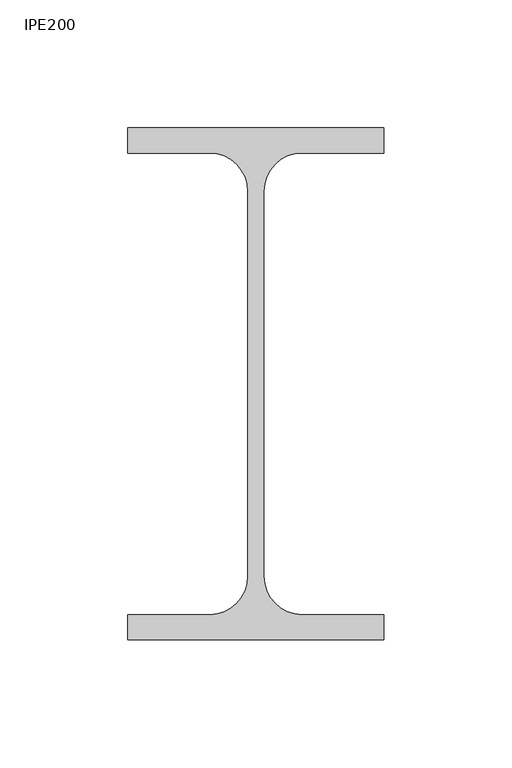
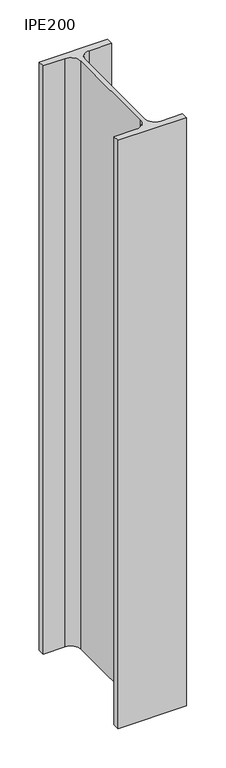
"""IFC4 building model written with IfcOpenShell, lengths in millimetres: column geometry, IPE200."""

import ifcopenshell
import ifcopenshell.guid

model = None  # the IFC model being written
_history = None  # IfcOwnerHistory: only IFC2X3 demands one
_inside = {}  # id of a spatial element -> (the spatial element, [elements in it])
_under = {}  # id of a project, library or spatial element -> (it, [spatial elements below it])
_declared = {}  # id of a project -> (the project, [libraries it declares])
_typed = {}  # id of a type object -> (the type object, [elements of that type])
_made_of = {}  # id of a material, layer set ... -> (it, [elements and type objects made of it])


def new_model(schema):
    """Start an empty IFC model of exactly this schema.

    Asked for "IFC4X3", IfcOpenShell would pick the latest addendum, in which some entities
    have other attributes; the version numbers below select the first issue.
    IFC2X3 requires an IfcOwnerHistory on every rooted entity: one is made here for all.
    """
    global model, _history
    if schema == "IFC4X3":
        model = ifcopenshell.file(schema_version=(4, 3, 0, 0))
    else:
        model = ifcopenshell.file(schema=schema)
    _inside.clear()
    _under.clear()
    _declared.clear()
    _typed.clear()
    _made_of.clear()
    _history = None
    if model.schema == "IFC2X3":
        org = make("IfcOrganization", Name="unknown")
        user = make(
            "IfcPersonAndOrganization",
            ThePerson=make("IfcPerson", FamilyName="unknown"),
            TheOrganization=org,
        )
        app = make(
            "IfcApplication",
            ApplicationDeveloper=org,
            Version="unknown",
            ApplicationFullName="unknown",
            ApplicationIdentifier="unknown",
        )
        _history = make(
            "IfcOwnerHistory",
            OwningUser=user,
            OwningApplication=app,
            ChangeAction="ADDED",
            CreationDate=0,
        )
    return model


def make(cls, **values):
    """One entity of the class cls with the attributes given. An attribute that is None is left unset."""
    return model.create_entity(
        cls, **{name: value for name, value in values.items() if value is not None}
    )


def rooted(cls, **values):
    """An entity with a GlobalId (a new one), such as an element, a storey or a relation."""
    return make(cls, GlobalId=ifcopenshell.guid.new(), OwnerHistory=_history, **values)


def si_unit(unit_type, name, prefix=None):
    """IfcSIUnit, for example si_unit("LENGTHUNIT", "METRE", prefix="MILLI")."""
    return make("IfcSIUnit", UnitType=unit_type, Prefix=prefix, Name=name)


def assignment(units):
    """IfcUnitAssignment: the units of a project."""
    return None if units is None else make("IfcUnitAssignment", Units=units)


def point(xyz):
    """IfcCartesianPoint."""
    return None if xyz is None else make("IfcCartesianPoint", Coordinates=xyz)


def direction(xyz):
    """IfcDirection."""
    return None if xyz is None else make("IfcDirection", DirectionRatios=xyz)


def frame(location, z_axis=None, x_axis=None):
    """IfcAxis2Placement3D, a coordinate frame: its origin and axes. An axis left out is left unset."""
    return make(
        "IfcAxis2Placement3D",
        Location=point(location),
        Axis=direction(z_axis),
        RefDirection=direction(x_axis),
    )


def frame_2d(location, x_axis=None):
    """IfcAxis2Placement2D, a coordinate frame in the plane: its origin and x axis."""
    return make(
        "IfcAxis2Placement2D", Location=point(location), RefDirection=direction(x_axis)
    )


def origin():
    """The frame at (0, 0, 0) with its axes left unset."""
    return frame((0.0, 0.0, 0.0))


def place(relative_to, where):
    """IfcLocalPlacement: puts the frame where relative to a parent placement (None: the world)."""
    return make(
        "IfcLocalPlacement", PlacementRelTo=relative_to, RelativePlacement=where
    )


def context(
    kind, dimensions, precision=None, world=None, true_north=None, identifier=None
):
    """IfcGeometricRepresentationContext, for example the 3D "Model" context."""
    return make(
        "IfcGeometricRepresentationContext",
        ContextIdentifier=identifier,
        ContextType=kind,
        CoordinateSpaceDimension=dimensions,
        Precision=precision,
        WorldCoordinateSystem=world,
        TrueNorth=true_north,
    )


def project(units=None, contexts=None):
    """IfcProject with its units and contexts."""
    return rooted(
        "IfcProject",
        Name="project",
        RepresentationContexts=contexts,
        UnitsInContext=assignment(units),
    )


def spatial(cls, under=None, at=None, **own):
    """A site, building, storey or space (cls), placed at a placement, below another one or the project."""
    s = rooted(cls, ObjectPlacement=at, **own)
    if under is not None:
        _under.setdefault(under.id(), (under, []))[1].append(s)
    return s


def polyline(points):
    """IfcPolyline through the points."""
    return make("IfcPolyline", Points=[point(p) for p in points])


def circle_curve(where, radius):
    """IfcCircle in the frame where."""
    return make("IfcCircle", Position=where, Radius=radius)


def trimmed(basis, trim1, trim2, sense, master):
    """IfcTrimmedCurve: the piece of a basis curve between two trims."""
    return make(
        "IfcTrimmedCurve",
        BasisCurve=basis,
        Trim1=trim1,
        Trim2=trim2,
        SenseAgreement=sense,
        MasterRepresentation=master,
    )


def segment(curve, same_sense, transition):
    """IfcCompositeCurveSegment."""
    return make(
        "IfcCompositeCurveSegment",
        Transition=transition,
        SameSense=same_sense,
        ParentCurve=curve,
    )


def composite_curve(segments, self_intersect=None):
    """IfcCompositeCurve: segments joined end to end."""
    return make("IfcCompositeCurve", Segments=segments, SelfIntersect=self_intersect)


def outline(outer, holes=None, kind="AREA"):
    """IfcArbitraryClosedProfileDef: a profile drawn as a closed curve; with holes, ...WithVoids."""
    if holes is None:
        return make("IfcArbitraryClosedProfileDef", ProfileType=kind, OuterCurve=outer)
    return make(
        "IfcArbitraryProfileDefWithVoids",
        ProfileType=kind,
        OuterCurve=outer,
        InnerCurves=holes,
    )


def extrude(swept, where, along, depth):
    """IfcExtrudedAreaSolid: the profile swept, set in the frame where, extruded along a direction by depth."""
    return make(
        "IfcExtrudedAreaSolid",
        SweptArea=swept,
        Position=where,
        ExtrudedDirection=direction(along),
        Depth=depth,
    )


def shape(context_of_items, identifier, shape_type, items):
    """IfcShapeRepresentation: the items that make up one representation, for example the "Body"."""
    return make(
        "IfcShapeRepresentation",
        ContextOfItems=context_of_items,
        RepresentationIdentifier=identifier,
        RepresentationType=shape_type,
        Items=items,
    )


def source(mapping_origin, context_of_items, identifier, shape_type, items):
    """IfcRepresentationMap: a shape defined once, which mapped items show again and again."""
    return make(
        "IfcRepresentationMap",
        MappingOrigin=mapping_origin,
        MappedRepresentation=shape(context_of_items, identifier, shape_type, items),
    )


def transform(
    local_origin,
    x_axis=None,
    y_axis=None,
    z_axis=None,
    scale=None,
    scale2=None,
    scale3=None,
    uniform=True,
):
    """IfcCartesianTransformationOperator3D, or its non-uniform kind. x_axis, y_axis, z_axis: its Axis1, 2, 3."""
    if uniform:
        return make(
            "IfcCartesianTransformationOperator3D",
            Axis1=direction(x_axis),
            Axis2=direction(y_axis),
            LocalOrigin=point(local_origin),
            Scale=scale,
            Axis3=direction(z_axis),
        )
    return make(
        "IfcCartesianTransformationOperator3DnonUniform",
        Axis1=direction(x_axis),
        Axis2=direction(y_axis),
        LocalOrigin=point(local_origin),
        Scale=scale,
        Axis3=direction(z_axis),
        Scale2=scale2,
        Scale3=scale3,
    )


def mapped(mapping_source, mapping_target):
    """IfcMappedItem: shows the shape of a source again, moved by a transform."""
    return make(
        "IfcMappedItem", MappingSource=mapping_source, MappingTarget=mapping_target
    )


def made_of(thing, what):
    """Note that an element or type object is made of a material, layer set ...; save() writes the relation."""
    if what is not None:
        _made_of.setdefault(what.id(), (what, []))[1].append(thing)
    return thing


def element(
    cls,
    number,
    at=None,
    inside=None,
    cuts=None,
    type_object=None,
    material=None,
    context=None,
    identifier="Body",
    shape_type=None,
    held_by="IfcProductDefinitionShape",
    body=None,
    shapes=None,
    **own,
):
    """One element of the class cls, such as IfcWall. Its Tag is "e" and its number.

    at: its placement. inside: the storey or other place that contains it. cuts: it is an
    opening in that element (IfcRelVoidsElement). A single representation is given by context,
    identifier, shape_type and body (its items); several are given by shapes. held_by: the class
    of the entity that holds the representations. save() writes the other relations.
    """
    e = rooted(cls, Tag="e%d" % number, ObjectPlacement=at, **own)
    if body is not None:
        shapes = [shape(context, identifier, shape_type, body)]
    if shapes is not None:
        e.Representation = make(held_by, Representations=shapes)
    if inside is not None:
        _inside.setdefault(inside.id(), (inside, []))[1].append(e)
    if cuts is not None:
        rooted(
            "IfcRelVoidsElement", RelatingBuildingElement=cuts, RelatedOpeningElement=e
        )
    if type_object is not None:
        _typed.setdefault(type_object.id(), (type_object, []))[1].append(e)
    return made_of(e, material)


def aggregate(whole, parts):
    """IfcRelAggregates: a whole, such as a stair, and the parts it consists of."""
    return rooted("IfcRelAggregates", RelatingObject=whole, RelatedObjects=parts)


def save(model, path):
    """Write the relations noted so far, then the file.

    IfcRelAggregates (storeys below a building ...), IfcRelContainedInSpatialStructure (elements
    in a storey), IfcRelDefinesByType, IfcRelAssociatesMaterial and IfcRelDeclares: one each for
    every whole, place, type object, material and project.
    """
    for whole, parts in _under.values():
        aggregate(whole, parts)
    for where, things in _inside.values():
        rooted(
            "IfcRelContainedInSpatialStructure",
            RelatedElements=things,
            RelatingStructure=where,
        )
    for kind, things in _typed.values():
        rooted("IfcRelDefinesByType", RelatedObjects=things, RelatingType=kind)
    for what, things in _made_of.values():
        rooted("IfcRelAssociatesMaterial", RelatedObjects=things, RelatingMaterial=what)
    for by, libraries in _declared.values():
        rooted("IfcRelDeclares", RelatingContext=by, RelatedDefinitions=libraries)
    model.write(path)


def ipe200_7fc6a6c8(model_context):
    return source(origin(), model_context, "Body", "SweptSolid", [
        extrude(outline(composite_curve([segment(polyline([(50.0, 100.0), (50.0, 90.2), (18.1, 90.2)]), True, "CONTINUOUS"), segment(trimmed(circle_curve(frame_2d((18.1, 75.2)), 15.0), [point((18.1, 90.2))], [point((3.1, 75.2))], True, "CARTESIAN"), True, "CONTINUOUS"), segment(polyline([(3.1, 75.2), (3.1, -75.2)]), True, "CONTINUOUS"), segment(trimmed(circle_curve(frame_2d((18.1, -75.2)), 15.0), [point((3.1, -75.2))], [point((18.1, -90.2))], True, "CARTESIAN"), True, "CONTINUOUS"), segment(polyline([(18.1, -90.2), (50.0, -90.2), (50.0, -100.0), (-50.0, -100.0), (-50.0, -90.2), (-18.1, -90.2)]), True, "CONTINUOUS"), segment(trimmed(circle_curve(frame_2d((-18.1, -75.2)), 15.0), [point((-18.1, -90.2))], [point((-3.1, -75.2))], True, "CARTESIAN"), True, "CONTINUOUS"), segment(polyline([(-3.1, -75.2), (-3.1, 75.2)]), True, "CONTINUOUS"), segment(trimmed(circle_curve(frame_2d((-18.1, 75.2)), 15.0), [point((-3.1, 75.2))], [point((-18.1, 90.2))], True, "CARTESIAN"), True, "CONTINUOUS"), segment(polyline([(-18.1, 90.2), (-50.0, 90.2), (-50.0, 100.0), (50.0, 100.0)]), True, "CONTINUOUS")], self_intersect=False)), frame((0.0, 0.0, 9380.0), z_axis=(0.0, 0.0, 1.0), x_axis=(1.0, 0.0, 0.0)), (0.0, 0.0, 1.0), 910.0),
    ])


if __name__ == "__main__":
    model = new_model("IFC4")
    model_context = context("Model", 3, world=origin())
    ifc_project = project(units=[si_unit("LENGTHUNIT", "METRE", prefix="MILLI")], contexts=[model_context])
    site = spatial("IfcSite", under=ifc_project)
    building = spatial("IfcBuilding", under=site)
    placement = place(None, origin())
    ipe200_shape = ipe200_7fc6a6c8(model_context)
    element("IfcColumn", 1, ObjectType="IPE200", at=placement, inside=building, context=model_context, shape_type="MappedRepresentation", body=[
        mapped(ipe200_shape, transform((0.0, 0.0, 0.0), x_axis=(1.0, 0.0, 0.0), y_axis=(0.0, 1.0, 0.0), z_axis=(0.0, 0.0, 1.0))),
    ])
    save(model, "model.ifc")
